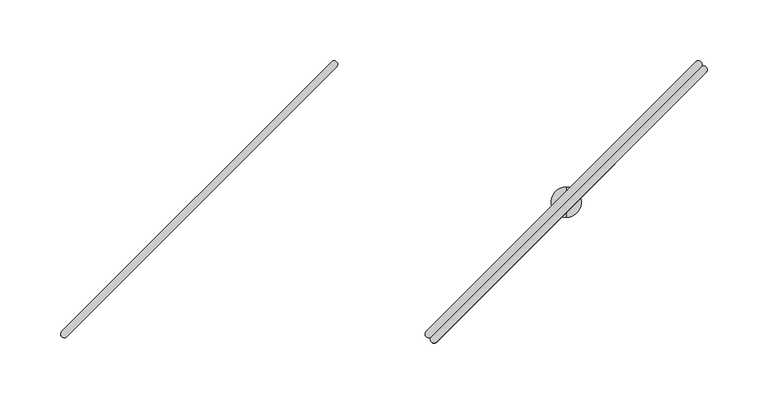
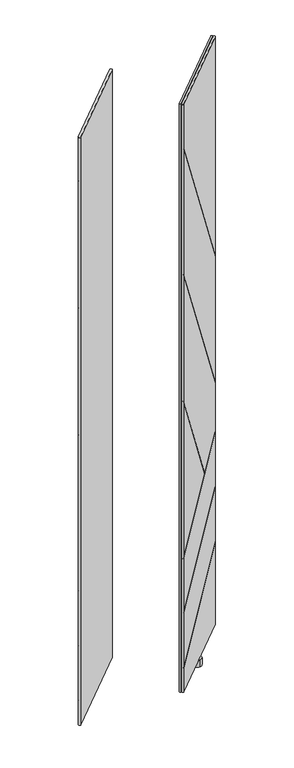
"""IFC4 building model written with IfcOpenShell, lengths in millimetres: furniture geometry."""

from ifc_helpers import new_model, si_unit, frame, origin, place, context, project, spatial, circle_curve, ellipse_curve, source, transform, mapped, element, save
from ifc_brep_helpers import plane_surface, cylinder_surface, advanced_brep


def furniture_46175fff(model_context):
    return source(origin(), model_context, "Body", "AdvancedBrep", [
        advanced_brep(
        [(-410.9200656, -183.0476726, 1930.6159983), (-188.9561853, 39.0094149, 1930.6159983), (-193.1718839, 43.2234083, 1930.6159983), (-415.18364, -178.7849606, 1930.6159983), (-410.9200656, -183.0476726, 80.7339983), (-415.18364, -178.7849606, 80.7339983), (-193.1718839, 43.2234083, 80.7339983), (-188.9561853, 39.0094149, 80.7339983), (-415.18364, -178.7849606, 1790.5286762), (-415.6875022, -182.380027, 1795.594488), (-415.6875022, -182.380027, 1792.4233739), (-415.18364, -178.7849606, 1787.3575622), (-415.18364, -178.7849606, 1391.0755777), (-415.6875022, -182.380027, 1396.14041), (-415.6875022, -182.380027, 1392.9697579), (-415.18364, -178.7849606, 1387.9049255), (-415.18364, -178.7849606, 991.620773), (-415.6875022, -182.380027, 996.6856054), (-415.6875022, -182.380027, 993.5149532), (-415.18364, -178.7849606, 988.4501208), (-415.18364, -178.7849606, 505.723), (-415.6875022, -182.380027, 504.0355995), (-415.6875022, -182.380027, 502.2133563), (-415.18364, -178.7849606, 503.9007569), (-415.18364, -178.7849606, 332.9064727), (-415.6875022, -182.380027, 331.2192637), (-415.6875022, -182.380027, 329.397073), (-415.18364, -178.7849606, 331.0842819), (-415.18364, -178.7849606, 160.9482293), (-415.6875022, -182.380027, 159.2609644), (-415.6875022, -182.380027, 155.5577715), (-415.18364, -178.7849606, 157.2450364), (-193.1718839, 43.2234083, 1241.7700643), (-193.1718839, 43.2234083, 340.0195157), (-193.1718839, 43.2234083, 1238.5989503), (-193.1718839, 43.2234083, 842.4230587), (-193.1718839, 43.2234083, 839.2524065), (-193.1718839, 43.2234083, 688.5121824), (-267.7009115, -31.3044822, 627.1501165), (-268.6632876, -32.2668437, 626.3577623), (-193.1718839, 43.2234083, 686.6899393), (-193.1718839, 43.2234083, 515.6748977), (-193.1718839, 43.2234083, 513.852707), (-193.1718839, 43.2234083, 343.7227086), (-189.6483388, 43.6591364, 341.6492934), (-189.6483388, 43.6591364, 345.3524863), (-189.6483388, 43.6591364, 515.4824307), (-189.6483388, 43.6591364, 517.3046215), (-189.6483388, 43.6591364, 688.3198481), (-189.6483388, 43.6591364, 690.1420912), (-189.6483388, 43.6591364, 834.360139), (-189.6483388, 43.6591364, 837.5307912), (-189.6483388, 43.6591364, 1233.7057367), (-189.6483388, 43.6591364, 1236.8768508), (-266.1564344, -32.8489592, 627.1501165), (-267.1188033, -33.811328, 626.3577623)],
        [
            (0, 1),
            (1, 2, circle_curve(frame((-191.1161655, 41.0642596, 1930.6159983), z_axis=(0.0, 0.0, 1.0), x_axis=(0.6892541380737184, 0.724519656840486, 0.0)), 2.9812584)),
            (2, 3),
            (3, 0, circle_curve(frame((-413.0520846, -180.9165485, 1930.6159983), z_axis=(0.0, 0.0, 1.0), x_axis=(-0.7071121751659861, -0.7071013871659622, 0.0)), 3.0144975)),
            (4, 5, circle_curve(frame((-413.0520846, -180.9165485, 80.7339983), z_axis=(0.0, 0.0, -1.0), x_axis=(-0.7071121751659861, -0.7071013871659622, 0.0)), 3.0144975)),
            (5, 6),
            (6, 7, circle_curve(frame((-191.1161655, 41.0642596, 80.7339983), z_axis=(0.0, 0.0, -1.0), x_axis=(0.6892541380737184, 0.724519656840486, 0.0)), 2.9812584)),
            (7, 4),
            (3, 8),
            (8, 9, ellipse_curve(frame((-413.0520846, -180.9165485, 1790.5287164), z_axis=(0.6137510408992909, 0.6137510408992904, 0.4966078126550915), x_axis=(-0.3511547519186339, -0.35115475191863366, 0.867975045960381)), 6.0701774, 3.0144975)),
            (9, 10),
            (10, 11, ellipse_curve(frame((-413.0520846, -180.9165485, 1787.3576024), z_axis=(-0.6137510408992913, -0.6137510408992902, -0.49660781265509124), x_axis=(-0.3511547519186339, -0.35115475191863327, 0.8679750459603811)), 6.0701774, 3.0144975)),
            (11, 12),
            (12, 13, ellipse_curve(frame((-413.0520846, -180.9165485, 1391.0756178), z_axis=(0.6137217711363938, 0.6137217711363934, 0.4966801538882105), x_axis=(-0.3512059048951318, -0.35120590489513154, 0.8679336522647244)), 6.0692932, 3.0144975)),
            (13, 14),
            (14, 15, ellipse_curve(frame((-413.0520846, -180.9165485, 1387.9049657), z_axis=(-0.6137217711363929, -0.613721771136394, -0.4966801538882105), x_axis=(-0.3512059048951313, -0.3512059048951319, 0.8679336522647244)), 6.0692932, 3.0144975)),
            (15, 16),
            (16, 17, ellipse_curve(frame((-413.0520846, -180.9165485, 991.6208132), z_axis=(0.6137217711363938, 0.6137217711363934, 0.49668015388821035), x_axis=(-0.35120590489513165, -0.35120590489513137, 0.8679336522647245)), 6.0692932, 3.0144975)),
            (17, 18),
            (18, 19, ellipse_curve(frame((-413.0520846, -180.9165485, 988.450161), z_axis=(-0.613721771136394, -0.6137217711363929, -0.4966801538882105), x_axis=(-0.3512059048951319, -0.3512059048951313, 0.8679336522647244)), 6.0692932, 3.0144975)),
            (19, 20),
            (20, 21, ellipse_curve(frame((-413.0520846, -180.9165485, 505.7229867), z_axis=(-0.35576802902276056, -0.35576802902275995, 0.8642095920843049), x_axis=(0.6110884629292727, 0.6110884629292717, 0.5031319717027327)), 3.4881556, 3.0144975)),
            (21, 22),
            (22, 23, ellipse_curve(frame((-413.0520846, -180.9165485, 503.9007435), z_axis=(0.35576802902276056, 0.35576802902275995, -0.8642095920843049), x_axis=(0.6110884629292727, 0.6110884629292717, 0.5031319717027327)), 3.4881556, 3.0144975)),
            (23, 24),
            (24, 25, ellipse_curve(frame((-413.0520846, -180.9165485, 332.9064593), z_axis=(-0.3557378542673982, -0.35573785426739757, 0.8642344346775679), x_axis=(0.6111060292954311, 0.6111060292954301, 0.5030892981544572)), 3.4880553, 3.0144975)),
            (25, 26),
            (26, 27, ellipse_curve(frame((-413.0520846, -180.9165485, 331.0842685), z_axis=(0.35573785426739823, 0.3557378542673976, -0.8642344346775679), x_axis=(0.6111060292954312, 0.6111060292954301, 0.5030892981544572)), 3.4880553, 3.0144975)),
            (27, 28),
            (28, 29, ellipse_curve(frame((-413.0520846, -180.9165485, 160.9482159), z_axis=(-0.3557466555065138, -0.3557466555065132, 0.8642271889913322), x_axis=(0.6111009058215596, 0.6111009058215585, 0.5031017449861812)), 3.4880845, 3.0144975)),
            (29, 30),
            (30, 31, ellipse_curve(frame((-413.0520846, -180.9165485, 157.245023), z_axis=(0.3557466555065137, 0.3557466555065131, -0.8642271889913324), x_axis=(0.6111009058215598, 0.6111009058215587, 0.5031017449861805)), 3.4880845, 3.0144975)),
            (31, 5),
            (4, 0),
            (2, 32),
            (32, 8),
            (31, 33),
            (33, 6),
            (11, 34),
            (34, 35),
            (35, 12),
            (15, 36),
            (36, 37),
            (37, 38),
            (38, 16),
            (19, 39),
            (39, 20),
            (23, 40),
            (40, 41),
            (41, 24),
            (27, 42),
            (42, 43),
            (43, 28),
            (1, 7),
            (33, 44, ellipse_curve(frame((-191.1161655, 41.0642596, 339.97694), z_axis=(0.3557466555065137, 0.3557466555065131, -0.8642271889913324), x_axis=(0.6111009058215598, 0.6111009058215587, 0.5031017449861805)), 3.4496234, 2.9812584)),
            (44, 45),
            (45, 43, ellipse_curve(frame((-191.1161655, 41.0642596, 343.6801329), z_axis=(-0.3557466555065138, -0.3557466555065132, 0.8642271889913322), x_axis=(0.6111009058215596, 0.6111009058215585, 0.5031017449861812)), 3.4496234, 2.9812584)),
            (42, 46, ellipse_curve(frame((-191.1161655, 41.0642596, 513.8101328), z_axis=(0.35573785426739823, 0.3557378542673976, -0.8642344346775679), x_axis=(0.6111060292954312, 0.6111060292954301, 0.5030892981544572)), 3.4495945, 2.9812584)),
            (46, 47),
            (47, 41, ellipse_curve(frame((-191.1161655, 41.0642596, 515.6323235), z_axis=(-0.3557378542673982, -0.35573785426739757, 0.8642344346775679), x_axis=(0.6111060292954311, 0.6111060292954301, 0.5030892981544572)), 3.4495945, 2.9812584)),
            (40, 48, ellipse_curve(frame((-191.1161655, 41.0642596, 686.6473602), z_axis=(0.35576802902276056, 0.35576802902275995, -0.8642095920843049), x_axis=(0.6110884629292727, 0.6110884629292717, 0.5031319717027327)), 3.4496937, 2.9812584)),
            (48, 49),
            (49, 37, ellipse_curve(frame((-191.1161655, 41.0642596, 688.4696034), z_axis=(-0.35576802902276056, -0.35576802902275995, 0.8642095920843049), x_axis=(0.6110884629292727, 0.6110884629292717, 0.5031319717027327)), 3.4496937, 2.9812584)),
            (36, 50, ellipse_curve(frame((-191.1161655, 41.0642596, 839.3802101), z_axis=(-0.6137217711363929, -0.613721771136394, -0.4966801538882105), x_axis=(-0.3512059048951313, -0.3512059048951319, 0.8679336522647244)), 6.0023706, 2.9812584)),
            (50, 51),
            (51, 35, ellipse_curve(frame((-191.1161655, 41.0642596, 842.5508622), z_axis=(0.6137217711363938, 0.6137217711363934, 0.4966801538882105), x_axis=(-0.3512059048951318, -0.35120590489513154, 0.8679336522647244)), 6.0023706, 2.9812584)),
            (34, 52, ellipse_curve(frame((-191.1161655, 41.0642596, 1238.7267785), z_axis=(-0.6137510408992913, -0.6137510408992902, -0.49660781265509124), x_axis=(-0.3511547519186339, -0.35115475191863327, 0.8679750459603811)), 6.003245, 2.9812584)),
            (52, 53),
            (53, 32, ellipse_curve(frame((-191.1161655, 41.0642596, 1241.8978926), z_axis=(0.6137510408992909, 0.6137510408992904, 0.4966078126550915), x_axis=(-0.3511547519186339, -0.35115475191863366, 0.867975045960381)), 6.003245, 2.9812584)),
            (29, 45),
            (44, 30),
            (9, 53),
            (52, 10),
            (13, 51),
            (50, 14),
            (54, 49),
            (48, 22),
            (21, 55),
            (55, 18),
            (17, 54),
            (25, 47),
            (46, 26),
            (54, 38),
            (55, 39),
        ],
        [
            plane_surface(frame((-302.0579437, -69.8999525, 1930.6159983), z_axis=(0.0, 0.0, 1.0000000000000002), x_axis=(0.7069583324882522, 0.7072551987263367, 0.0))),
            plane_surface(frame((-302.0579437, -69.8999525, 80.7339983), z_axis=(0.0, 0.0, -1.0000000000000002), x_axis=(0.7069583324882522, 0.7072551987263367, 0.0))),
            cylinder_surface(frame((-413.0520846, -180.9165485, 80.7339983), z_axis=(0.0, 0.0, 1.0), x_axis=(-0.7071121751659861, -0.7071013871659622, 0.0)), 3.0144975),
            plane_surface(frame((-304.1777619, -67.7807761, 80.7339983), z_axis=(-0.7071013871659615, 0.7071121751659868, 0.0), x_axis=(-0.7071121751659868, -0.7071013871659615, 0.0))),
            cylinder_surface(frame((-191.1161655, 41.0642596, 80.7339983), z_axis=(0.0, 0.0, 1.0), x_axis=(0.6892541380737184, 0.724519656840486, 0.0)), 2.9812584),
            plane_surface(frame((-299.9381254, -72.0191288, 80.7339983), z_axis=(0.7072551987263367, -0.7069583324882522, 0.0), x_axis=(0.7069583324882522, 0.7072551987263367, 0.0))),
            plane_surface(frame((-418.1747555, -184.8672803, 1789.3352577), z_axis=(-0.7071067811865472, 0.707106781186548, 0.0), x_axis=(0.0, 0.0, -1.0))),
            plane_surface(frame((-200.5009041, 72.3196981, 348.9796982), z_axis=(-0.3557466555065137, -0.3557466555065131, 0.8642271889913324), x_axis=(0.7071067811865469, -0.7071067811865481, 0.0))),
            plane_surface(frame((-437.9313189, -165.1107168, 157.2132806), z_axis=(0.35574665550651385, 0.35574665550651324, -0.8642271889913324), x_axis=(0.7071067811865469, -0.7071067811865481, 0.0))),
            plane_surface(frame((-200.5009041, 72.3196981, 1211.6970692), z_axis=(0.6137510408992913, 0.6137510408992902, 0.49660781265509124), x_axis=(0.7071067811865469, -0.7071067811865481, 0.0))),
            plane_surface(frame((-437.9313189, -165.1107168, 1801.7424149), z_axis=(-0.6137510408992909, -0.6137510408992904, -0.4966078126550915), x_axis=(0.7071067811865472, -0.7071067811865478, 0.0))),
            plane_surface(frame((-200.5009041, 72.3196981, 812.3557264), z_axis=(0.6137217711363929, 0.613721771136394, 0.4966801538882105), x_axis=(0.7071067811865481, -0.7071067811865469, 0.0))),
            plane_surface(frame((-437.9313189, -165.1107168, 1402.2871484), z_axis=(-0.6137217711363938, -0.6137217711363934, -0.4966801538882105), x_axis=(0.7071067811865472, -0.7071067811865478, 0.0))),
            plane_surface(frame((-200.5009041, 72.3196981, 695.6508426), z_axis=(-0.3557680290227606, -0.35576802902276, 0.8642095920843051), x_axis=(0.7071067811865469, -0.7071067811865481, 0.0))),
            plane_surface(frame((-285.9129979, -13.0923958, 627.1501165), z_axis=(0.3557680290227606, 0.35576802902276, -0.8642095920843051), x_axis=(0.7071067811865469, -0.7071067811865481, 0.0))),
            plane_surface(frame((-200.5009041, 72.3196981, 522.8125927), z_axis=(-0.35573785426739823, -0.3557378542673976, 0.8642344346775679), x_axis=(0.7071067811865469, -0.7071067811865481, 0.0))),
            plane_surface(frame((-437.9313189, -165.1107168, 329.1716477), z_axis=(0.3557378542673982, 0.35573785426739757, -0.8642344346775679), x_axis=(0.7071067811865469, -0.7071067811865481, 0.0))),
            plane_surface(frame((-437.9313189, -165.1107168, 1002.8323438), z_axis=(-0.6137217711363938, -0.6137217711363934, -0.49668015388821035), x_axis=(0.7071067811865472, -0.7071067811865478, 0.0))),
            plane_surface(frame((-286.8753667, -14.0547646, 626.3577623), z_axis=(0.613721771136394, 0.6137217711363929, 0.4966801538882105), x_axis=(0.7071067811865469, -0.7071067811865481, 0.0))),
            plane_surface(frame((-437.9313189, -165.1107168, 501.9877509), z_axis=(0.3557680290227606, 0.35576802902276, -0.8642095920843051), x_axis=(0.7071067811865469, -0.7071067811865481, 0.0))),
        ],
        [
            (0, [[1, 2, 3, 4]]),
            (1, [[5, 6, 7, 8]]),
            (2, [[-4, 9, 10, 11, 12, 13, 14, 15, 16, 17, 18, 19, 20, 21, 22, 23, 24, 25, 26, 27, 28, 29, 30, 31, 32, 33, -5, 34]]),
            (3, [[-3, 35, 36, -9]]),
            (3, [[-6, -33, 37, 38]]),
            (3, [[-13, 39, 40, 41]]),
            (3, [[-17, 42, 43, 44, 45]]),
            (3, [[-21, 46, 47]]),
            (3, [[-25, 48, 49, 50]]),
            (3, [[-29, 51, 52, 53]]),
            (4, [[-2, 54, -7, -38, 55, 56, 57, -52, 58, 59, 60, -49, 61, 62, 63, -43, 64, 65, 66, -40, 67, 68, 69, -35]]),
            (5, [[-1, -34, -8, -54]]),
            (6, [[70, -56, 71, -31]]),
            (6, [[72, -68, 73, -11]]),
            (6, [[74, -65, 75, -15]]),
            (6, [[76, -62, 77, -23, 78, 79, -19, 80]]),
            (6, [[81, -59, 82, -27]]),
            (7, [[-71, -55, -37, -32]]),
            (8, [[-70, -30, -53, -57]]),
            (9, [[-73, -67, -39, -12]]),
            (10, [[-72, -10, -36, -69]]),
            (11, [[-75, -64, -42, -16]]),
            (12, [[-74, -14, -41, -66]]),
            (13, [[-77, -61, -48, -24]]),
            (14, [[-76, 83, -44, -63]]),
            (15, [[-82, -58, -51, -28]]),
            (16, [[-81, -26, -50, -60]]),
            (17, [[-80, -18, -45, -83]]),
            (18, [[-79, 84, -46, -20]]),
            (19, [[-78, -22, -47, -84]]),
        ],
    ),
        advanced_brep(
        [(-410.9593734, -183.0083649, 1930.6159983), (-406.6966613, -187.2719392, 1930.6159983), (-184.6882924, 34.7398168, 1930.6159983), (-188.9022858, 38.9555155, 1930.6159983), (-410.9593733, -183.0083649, 80.7339983), (-188.9022858, 38.9555155, 80.7339983), (-184.6882924, 34.7398168, 80.7339983), (-406.6966613, -187.2719392, 80.7339983), (-406.6966613, -187.2719392, 157.2450364), (-410.2917277, -187.7758015, 155.5577715), (-410.2917277, -187.7758015, 159.2609644), (-406.6966613, -187.2719392, 160.9482293), (-406.6966613, -187.2719392, 331.0842819), (-410.2917277, -187.7758015, 329.397073), (-410.2917277, -187.7758015, 331.2192637), (-406.6966613, -187.2719392, 332.9064727), (-406.6966613, -187.2719392, 503.9007569), (-410.2917277, -187.7758015, 502.2133563), (-410.2917277, -187.7758015, 504.0355995), (-406.6966613, -187.2719392, 505.723), (-406.6966613, -187.2719392, 988.4501208), (-410.2917277, -187.7758015, 993.5149532), (-410.2917277, -187.7758015, 996.6856054), (-406.6966613, -187.2719392, 991.620773), (-406.6966613, -187.2719392, 1387.9049255), (-410.2917277, -187.7758015, 1392.9697579), (-410.2917277, -187.7758015, 1396.14041), (-406.6966613, -187.2719392, 1391.0755777), (-406.6966613, -187.2719392, 1787.3575622), (-410.2917277, -187.7758015, 1792.4233739), (-410.2917277, -187.7758015, 1795.594488), (-406.6966613, -187.2719392, 1790.5286762), (-184.6882924, 34.7398168, 343.7227086), (-184.6882924, 34.7398168, 513.852707), (-184.6882924, 34.7398168, 515.6748977), (-184.6882924, 34.7398168, 686.6899393), (-260.1785444, -40.7515869, 626.3577623), (-259.2161829, -39.7892108, 627.1501165), (-184.6882924, 34.7398168, 688.5121824), (-184.6882924, 34.7398168, 839.2524065), (-184.6882924, 34.7398168, 842.4230587), (-184.6882924, 34.7398168, 1238.5989503), (-184.6882924, 34.7398168, 1241.7700643), (-184.6882924, 34.7398168, 340.0195157), (-184.2525643, 38.263362, 1236.8768508), (-184.2525643, 38.263362, 1233.7057367), (-184.2525643, 38.263362, 837.5307912), (-184.2525643, 38.263362, 834.360139), (-184.2525643, 38.263362, 690.1420912), (-184.2525643, 38.263362, 688.3198481), (-184.2525643, 38.263362, 517.3046215), (-184.2525643, 38.263362, 515.4824307), (-184.2525643, 38.263362, 345.3524863), (-184.2525643, 38.263362, 341.6492934), (-260.76066, -38.2447337, 627.1501165), (-261.7230288, -39.2071025, 626.3577623)],
        [
            (0, 1, circle_curve(frame((-408.8282492, -185.1403839, 1930.6159983), z_axis=(0.0, 0.0, 1.0), x_axis=(-0.7072551987263337, -0.7069583324882551, 0.0)), 3.0144975)),
            (1, 2),
            (2, 3, circle_curve(frame((-186.8474411, 36.7955352, 1930.6159983), z_axis=(0.0, 0.0, 1.0), x_axis=(0.6895472047235311, 0.7242407420588576, 0.0)), 2.9812584)),
            (3, 0),
            (4, 5),
            (5, 6, circle_curve(frame((-186.8474411, 36.7955352, 80.7339983), z_axis=(0.0, 0.0, -1.0), x_axis=(0.6895472047235311, 0.7242407420588576, 0.0)), 2.9812584)),
            (6, 7),
            (7, 4, circle_curve(frame((-408.8282492, -185.1403839, 80.7339983), z_axis=(0.0, 0.0, -1.0), x_axis=(-0.7072551987263337, -0.7069583324882551, 0.0)), 3.0144975)),
            (0, 4),
            (7, 8),
            (8, 9, ellipse_curve(frame((-408.8282492, -185.1403839, 157.245023), z_axis=(0.3557466555065141, 0.35574665550651347, -0.8642271889913322), x_axis=(0.6111009058215596, 0.6111009058215586, 0.5031017449861808)), 3.4880845, 3.0144975)),
            (9, 10),
            (10, 11, ellipse_curve(frame((-408.8282492, -185.1403839, 160.9482159), z_axis=(-0.3557466555065138, -0.3557466555065132, 0.8642271889913322), x_axis=(0.6111009058215596, 0.6111009058215585, 0.5031017449861812)), 3.4880845, 3.0144975)),
            (11, 12),
            (12, 13, ellipse_curve(frame((-408.8282492, -185.1403839, 331.0842685), z_axis=(0.3557378542673982, 0.35573785426739757, -0.8642344346775678), x_axis=(0.611106029295431, 0.61110602929543, 0.5030892981544577)), 3.4880553, 3.0144975)),
            (13, 14),
            (14, 15, ellipse_curve(frame((-408.8282492, -185.1403839, 332.9064593), z_axis=(-0.3557378542673982, -0.35573785426739757, 0.8642344346775679), x_axis=(0.6111060292954311, 0.6111060292954301, 0.5030892981544572)), 3.4880553, 3.0144975)),
            (15, 16),
            (16, 17, ellipse_curve(frame((-408.8282492, -185.1403839, 503.9007435), z_axis=(0.35576802902276067, 0.35576802902276006, -0.8642095920843049), x_axis=(0.6110884629292728, 0.6110884629292717, 0.5031319717027326)), 3.4881556, 3.0144975)),
            (17, 18),
            (18, 19, ellipse_curve(frame((-408.8282492, -185.1403839, 505.7229867), z_axis=(-0.3557680290227606, -0.35576802902276, 0.864209592084305), x_axis=(0.6110884629292728, 0.6110884629292717, 0.5031319717027324)), 3.4881556, 3.0144975)),
            (19, 20),
            (20, 21, ellipse_curve(frame((-408.8282492, -185.1403839, 988.450161), z_axis=(-0.6137217711363941, -0.6137217711363931, -0.4966801538882102), x_axis=(-0.3512059048951317, -0.3512059048951311, 0.8679336522647246)), 6.0692932, 3.0144975)),
            (21, 22),
            (22, 23, ellipse_curve(frame((-408.8282492, -185.1403839, 991.6208132), z_axis=(0.6137217711363941, 0.613721771136393, 0.49668015388821024), x_axis=(-0.35120590489513176, -0.3512059048951311, 0.8679336522647245)), 6.0692932, 3.0144975)),
            (23, 24),
            (24, 25, ellipse_curve(frame((-408.8282492, -185.1403839, 1387.9049657), z_axis=(-0.6137217711363941, -0.6137217711363931, -0.4966801538882103), x_axis=(-0.35120590489513176, -0.3512059048951312, 0.8679336522647245)), 6.0692932, 3.0144975)),
            (25, 26),
            (26, 27, ellipse_curve(frame((-408.8282492, -185.1403839, 1391.0756178), z_axis=(0.6137217711363941, 0.6137217711363931, 0.4966801538882103), x_axis=(-0.35120590489513176, -0.3512059048951312, 0.8679336522647245)), 6.0692932, 3.0144975)),
            (27, 28),
            (28, 29, ellipse_curve(frame((-408.8282492, -185.1403839, 1787.3576024), z_axis=(-0.6137510408992914, -0.6137510408992903, -0.4966078126550913), x_axis=(-0.351154751918634, -0.3511547519186334, 0.8679750459603811)), 6.0701774, 3.0144975)),
            (29, 30),
            (30, 31, ellipse_curve(frame((-408.8282492, -185.1403839, 1790.5287164), z_axis=(0.6137510408992906, 0.6137510408992916, 0.4966078126550908), x_axis=(-0.351154751918633, -0.35115475191863355, 0.8679750459603813)), 6.0701774, 3.0144975)),
            (31, 1),
            (11, 32),
            (32, 33),
            (33, 12),
            (15, 34),
            (34, 35),
            (35, 16),
            (19, 36),
            (36, 20),
            (23, 37),
            (37, 38),
            (38, 39),
            (39, 24),
            (27, 40),
            (40, 41),
            (41, 28),
            (31, 42),
            (42, 2),
            (6, 43),
            (43, 8),
            (42, 44, ellipse_curve(frame((-186.8474411, 36.7955352, 1241.8978926), z_axis=(0.6137510408992906, 0.6137510408992916, 0.4966078126550908), x_axis=(-0.351154751918633, -0.35115475191863355, 0.8679750459603813)), 6.003245, 2.9812584)),
            (44, 45),
            (45, 41, ellipse_curve(frame((-186.8474411, 36.7955352, 1238.7267785), z_axis=(-0.6137510408992914, -0.6137510408992903, -0.4966078126550913), x_axis=(-0.351154751918634, -0.3511547519186334, 0.8679750459603811)), 6.003245, 2.9812584)),
            (40, 46, ellipse_curve(frame((-186.8474411, 36.7955352, 842.5508622), z_axis=(0.6137217711363941, 0.6137217711363931, 0.4966801538882103), x_axis=(-0.35120590489513176, -0.3512059048951312, 0.8679336522647245)), 6.0023706, 2.9812584)),
            (46, 47),
            (47, 39, ellipse_curve(frame((-186.8474411, 36.7955352, 839.3802101), z_axis=(-0.6137217711363941, -0.6137217711363931, -0.4966801538882103), x_axis=(-0.35120590489513176, -0.3512059048951312, 0.8679336522647245)), 6.0023706, 2.9812584)),
            (38, 48, ellipse_curve(frame((-186.8474411, 36.7955352, 688.4696034), z_axis=(-0.355768029022761, -0.3557680290227604, 0.8642095920843047), x_axis=(0.6110884629292725, 0.6110884629292714, 0.5031319717027329)), 3.4496937, 2.9812584)),
            (48, 49),
            (49, 35, ellipse_curve(frame((-186.8474411, 36.7955352, 686.6473602), z_axis=(0.35576802902276067, 0.35576802902276006, -0.8642095920843049), x_axis=(0.6110884629292728, 0.6110884629292717, 0.5031319717027326)), 3.4496937, 2.9812584)),
            (34, 50, ellipse_curve(frame((-186.8474411, 36.7955352, 515.6323235), z_axis=(-0.3557378542673982, -0.35573785426739757, 0.8642344346775679), x_axis=(0.6111060292954311, 0.6111060292954301, 0.5030892981544572)), 3.4495945, 2.9812584)),
            (50, 51),
            (51, 33, ellipse_curve(frame((-186.8474411, 36.7955352, 513.8101328), z_axis=(0.3557378542673982, 0.35573785426739757, -0.8642344346775678), x_axis=(0.611106029295431, 0.61110602929543, 0.5030892981544577)), 3.4495945, 2.9812584)),
            (32, 52, ellipse_curve(frame((-186.8474411, 36.7955352, 343.6801329), z_axis=(-0.3557466555065138, -0.3557466555065132, 0.8642271889913322), x_axis=(0.6111009058215596, 0.6111009058215585, 0.5031017449861812)), 3.4496234, 2.9812584)),
            (52, 53),
            (53, 43, ellipse_curve(frame((-186.8474411, 36.7955352, 339.97694), z_axis=(0.3557466555065141, 0.35574665550651347, -0.8642271889913322), x_axis=(0.6111009058215596, 0.6111009058215586, 0.5031017449861808)), 3.4496234, 2.9812584)),
            (5, 3),
            (9, 53),
            (52, 10),
            (29, 45),
            (44, 30),
            (25, 47),
            (46, 26),
            (13, 51),
            (50, 14),
            (54, 22),
            (21, 55),
            (55, 18),
            (17, 49),
            (48, 54),
            (37, 54),
            (36, 55),
        ],
        [
            plane_surface(frame((-297.8116532, -74.146243, 1930.6159983), z_axis=(0.0, 0.0, 1.0000000000000002), x_axis=(-0.7072551987263422, -0.7069583324882467, 0.0))),
            plane_surface(frame((-297.8116532, -74.146243, 80.7339983), z_axis=(0.0, 0.0, -1.0000000000000002), x_axis=(-0.7072551987263422, -0.7069583324882467, 0.0))),
            cylinder_surface(frame((-408.8282492, -185.1403839, 80.7339983), z_axis=(0.0, 0.0, 1.0), x_axis=(-0.7072551987263337, -0.7069583324882551, 0.0)), 3.0144975),
            plane_surface(frame((-295.6924769, -76.2660612, 80.7339983), z_axis=(0.7071121751659858, -0.7071013871659624, 0.0), x_axis=(0.7071013871659624, 0.7071121751659858, 0.0))),
            cylinder_surface(frame((-186.8474411, 36.7955352, 80.7339983), z_axis=(0.0, 0.0, 1.0), x_axis=(0.6895472047235311, 0.7242407420588576, 0.0)), 2.9812584),
            plane_surface(frame((-299.9308295, -72.0264247, 80.7339983), z_axis=(-0.7069583324882512, 0.7072551987263376, 0.0), x_axis=(-0.7072551987263376, -0.7069583324882512, 0.0))),
            plane_surface(frame((-393.8412555, -171.3253292, 169.1009707), z_axis=(0.7071067811865472, -0.7071067811865481, 0.0), x_axis=(-0.6111009058215594, -0.6111009058215585, -0.5031017449861812))),
            plane_surface(frame((-393.0224175, -210.0196182, 153.5100877), z_axis=(-0.3557466555065141, -0.35574665550651347, 0.8642271889913322), x_axis=(-0.7071067811865469, 0.7071067811865481, 0.0))),
            plane_surface(frame((-155.5920027, 27.4107966, 352.6828911), z_axis=(0.35574665550651385, 0.35574665550651324, -0.8642271889913324), x_axis=(-0.7071067811865469, 0.7071067811865481, 0.0))),
            plane_surface(frame((-393.0224175, -210.0196182, 1798.5713009), z_axis=(0.6137510408992913, 0.6137510408992902, 0.4966078126550912), x_axis=(-0.7071067811865469, 0.7071067811865481, 0.0))),
            plane_surface(frame((-155.5920027, 27.4107966, 1214.8681832), z_axis=(-0.6137510408992906, -0.6137510408992916, -0.4966078126550908), x_axis=(-0.7071067811865481, 0.7071067811865469, 0.0))),
            plane_surface(frame((-393.0224175, -210.0196182, 1399.1164962), z_axis=(0.6137217711363941, 0.6137217711363931, 0.4966801538882103), x_axis=(-0.7071067811865469, 0.7071067811865481, 0.0))),
            plane_surface(frame((-155.5920027, 27.4107966, 815.5263786), z_axis=(-0.6137217711363941, -0.6137217711363931, -0.4966801538882103), x_axis=(-0.7071067811865469, 0.7071067811865481, 0.0))),
            plane_surface(frame((-393.0224175, -210.0196182, 500.1655078), z_axis=(-0.35576802902276067, -0.35576802902276006, 0.8642095920843049), x_axis=(-0.7071067811865469, 0.7071067811865481, 0.0))),
            plane_surface(frame((-155.5920027, 27.4107966, 697.4730857), z_axis=(0.355768029022761, 0.3557680290227604, -0.8642095920843047), x_axis=(-0.7071067811865469, 0.7071067811865481, 0.0))),
            plane_surface(frame((-393.0224175, -210.0196182, 327.3494569), z_axis=(-0.3557378542673982, -0.35573785426739757, 0.8642344346775678), x_axis=(-0.7071067811865469, 0.7071067811865481, 0.0))),
            plane_surface(frame((-155.5920027, 27.4107966, 524.6347834), z_axis=(0.3557378542673982, 0.35573785426739757, -0.8642344346775679), x_axis=(-0.7071067811865469, 0.7071067811865481, 0.0))),
            plane_surface(frame((-241.0040965, -58.0012972, 627.1501165), z_axis=(-0.6137217711363941, -0.613721771136393, -0.49668015388821024), x_axis=(-0.7071067811865469, 0.7071067811865481, 0.0))),
            plane_surface(frame((-393.0224175, -210.0196182, 999.6616916), z_axis=(0.6137217711363941, 0.6137217711363931, 0.4966801538882102), x_axis=(-0.7071067811865469, 0.7071067811865481, 0.0))),
            plane_surface(frame((-241.9664653, -58.963666, 626.3577623), z_axis=(0.3557680290227606, 0.35576802902276, -0.864209592084305), x_axis=(-0.7071067811865469, 0.7071067811865481, 0.0))),
        ],
        [
            (0, [[1, 2, 3, 4]]),
            (1, [[5, 6, 7, 8]]),
            (2, [[-1, 9, -8, 10, 11, 12, 13, 14, 15, 16, 17, 18, 19, 20, 21, 22, 23, 24, 25, 26, 27, 28, 29, 30, 31, 32, 33, 34]]),
            (3, [[-14, 35, 36, 37]]),
            (3, [[-18, 38, 39, 40]]),
            (3, [[-22, 41, 42]]),
            (3, [[-26, 43, 44, 45, 46]]),
            (3, [[-30, 47, 48, 49]]),
            (3, [[-2, -34, 50, 51]]),
            (3, [[-7, 52, 53, -10]]),
            (4, [[-3, -51, 54, 55, 56, -48, 57, 58, 59, -45, 60, 61, 62, -39, 63, 64, 65, -36, 66, 67, 68, -52, -6, 69]]),
            (5, [[-4, -69, -5, -9]]),
            (6, [[70, -67, 71, -12]]),
            (6, [[72, -55, 73, -32]]),
            (6, [[74, -58, 75, -28]]),
            (6, [[76, -64, 77, -16]]),
            (6, [[78, -24, 79, 80, -20, 81, -61, 82]]),
            (7, [[-70, -11, -53, -68]]),
            (8, [[-71, -66, -35, -13]]),
            (9, [[-72, -31, -49, -56]]),
            (10, [[-73, -54, -50, -33]]),
            (11, [[-74, -27, -46, -59]]),
            (12, [[-75, -57, -47, -29]]),
            (13, [[-81, -19, -40, -62]]),
            (14, [[-82, -60, -44, 83]]),
            (15, [[-76, -15, -37, -65]]),
            (16, [[-77, -63, -38, -17]]),
            (17, [[-78, -83, -43, -25]]),
            (18, [[-79, -23, -42, 84]]),
            (19, [[-80, -84, -41, -21]]),
        ],
    ),
        advanced_brep(
        [(-299.9994, -84.5709522, 80.7339983), (-299.9994, -59.5748171, 80.7339983), (-299.9994, -59.5748171, 59.9975986), (-299.9994, -84.5709522, 59.9975986), (-299.9994, -72.0728847, 80.7339983), (-299.9994, -72.0728847, 59.9975986)],
        [
            (0, 1, circle_curve(frame((-299.9994, -72.0728847, 80.7339983), z_axis=(0.0, 0.0, -1.0), x_axis=(0.0, 1.0, 0.0)), 12.4980675)),
            (1, 2),
            (2, 3, circle_curve(frame((-299.9994, -72.0728847, 59.9975986), z_axis=(0.0, 0.0, 1.0), x_axis=(0.0, 1.0, 0.0)), 12.4980675)),
            (3, 0),
            (4, 1),
            (0, 4),
            (0, 1, circle_curve(frame((-299.9994, -72.0728847, 80.7339983), z_axis=(0.0, 0.0, 1.0), x_axis=(0.0, 1.0, 0.0)), 12.4980675)),
            (2, 5),
            (5, 3),
            (2, 3, circle_curve(frame((-299.9994, -72.0728847, 59.9975986), z_axis=(0.0, 0.0, -1.0), x_axis=(0.0, 1.0, 0.0)), 12.4980675)),
        ],
        [
            cylinder_surface(frame((-299.9994, -72.0728847, 88.2747758), z_axis=(0.0, 0.0, 1.0), x_axis=(0.0, 1.0, 0.0)), 12.4980675),
            plane_surface(frame((-299.9994, -72.0728847, 80.7339983), z_axis=(0.0, 0.0, 1.0), x_axis=(0.0, 1.0, 0.0))),
            plane_surface(frame((-299.9994, -72.0728847, 59.9975986), z_axis=(0.0, 0.0, -1.0), x_axis=(0.0, 1.0, 0.0))),
        ],
        [
            (0, [[1, 2, 3, 4]]),
            (1, [[5, -1, 6]]),
            (1, [[-6, 7, -5]]),
            (2, [[-3, 8, 9]]),
            (2, [[10, -9, -8]]),
            (0, [[-7, -4, -10, -2]]),
        ],
    ),
        advanced_brep(
        [(-710.9194656, -183.0476726, 1930.6159983), (-488.9555853, 39.0094149, 1930.6159983), (-493.1712839, 43.2234083, 1930.6159983), (-715.18304, -178.7849606, 1930.6159983), (-710.9194656, -183.0476726, 80.7339983), (-715.18304, -178.7849606, 80.7339983), (-493.1712839, 43.2234083, 80.7339983), (-488.9555853, 39.0094149, 80.7339983), (-715.18304, -178.7849606, 1790.5286762), (-715.6869022, -182.380027, 1795.594488), (-715.6869022, -182.380027, 1792.4233739), (-715.18304, -178.7849606, 1787.3575622), (-715.18304, -178.7849606, 1391.0755777), (-715.6869022, -182.380027, 1396.14041), (-715.6869022, -182.380027, 1392.9697579), (-715.18304, -178.7849606, 1387.9049255), (-715.18304, -178.7849606, 991.620773), (-715.6869022, -182.380027, 996.6856054), (-715.6869022, -182.380027, 993.5149532), (-715.18304, -178.7849606, 988.4501208), (-715.18304, -178.7849606, 505.723), (-715.6869022, -182.380027, 504.0355995), (-715.6869022, -182.380027, 502.2133563), (-715.18304, -178.7849606, 503.9007569), (-715.18304, -178.7849606, 332.9064727), (-715.6869022, -182.380027, 331.2192637), (-715.6869022, -182.380027, 329.397073), (-715.18304, -178.7849606, 331.0842819), (-715.18304, -178.7849606, 160.9482293), (-715.6869022, -182.380027, 159.2609644), (-715.6869022, -182.380027, 155.5577715), (-715.18304, -178.7849606, 157.2450364), (-493.1712839, 43.2234083, 1241.7700643), (-493.1712839, 43.2234083, 340.0195157), (-493.1712839, 43.2234083, 1238.5989503), (-493.1712839, 43.2234083, 842.4230587), (-493.1712839, 43.2234083, 839.2524065), (-493.1712839, 43.2234083, 688.5121824), (-567.7003115, -31.3044822, 627.1501165), (-568.6626876, -32.2668437, 626.3577623), (-493.1712839, 43.2234083, 686.6899393), (-493.1712839, 43.2234083, 515.6748977), (-493.1712839, 43.2234083, 513.852707), (-493.1712839, 43.2234083, 343.7227086), (-489.6477388, 43.6591364, 341.6492934), (-489.6477388, 43.6591364, 345.3524863), (-489.6477388, 43.6591364, 515.4824307), (-489.6477388, 43.6591364, 517.3046215), (-489.6477388, 43.6591364, 688.3198481), (-489.6477388, 43.6591364, 690.1420912), (-489.6477388, 43.6591364, 834.360139), (-489.6477388, 43.6591364, 837.5307912), (-489.6477388, 43.6591364, 1233.7057367), (-489.6477388, 43.6591364, 1236.8768508), (-566.1558344, -32.8489592, 627.1501165), (-567.1182033, -33.811328, 626.3577623)],
        [
            (0, 1),
            (1, 2, circle_curve(frame((-491.1155655, 41.0642596, 1930.6159983), z_axis=(0.0, 0.0, 1.0), x_axis=(0.6892541380737184, 0.724519656840486, 0.0)), 2.9812584)),
            (2, 3),
            (3, 0, circle_curve(frame((-713.0514846, -180.9165485, 1930.6159983), z_axis=(0.0, 0.0, 1.0), x_axis=(-0.7071121751659861, -0.7071013871659622, 0.0)), 3.0144975)),
            (4, 5, circle_curve(frame((-713.0514846, -180.9165485, 80.7339983), z_axis=(0.0, 0.0, -1.0), x_axis=(-0.7071121751659861, -0.7071013871659622, 0.0)), 3.0144975)),
            (5, 6),
            (6, 7, circle_curve(frame((-491.1155655, 41.0642596, 80.7339983), z_axis=(0.0, 0.0, -1.0), x_axis=(0.6892541380737184, 0.724519656840486, 0.0)), 2.9812584)),
            (7, 4),
            (3, 8),
            (8, 9, ellipse_curve(frame((-713.0514846, -180.9165485, 1790.5287164), z_axis=(0.6137510408992909, 0.6137510408992904, 0.4966078126550915), x_axis=(-0.3511547519186339, -0.35115475191863366, 0.867975045960381)), 6.0701774, 3.0144975)),
            (9, 10),
            (10, 11, ellipse_curve(frame((-713.0514846, -180.9165485, 1787.3576024), z_axis=(-0.6137510408992913, -0.6137510408992902, -0.49660781265509124), x_axis=(-0.3511547519186339, -0.35115475191863327, 0.8679750459603811)), 6.0701774, 3.0144975)),
            (11, 12),
            (12, 13, ellipse_curve(frame((-713.0514846, -180.9165485, 1391.0756178), z_axis=(0.6137217711363938, 0.6137217711363934, 0.4966801538882105), x_axis=(-0.3512059048951318, -0.35120590489513154, 0.8679336522647244)), 6.0692932, 3.0144975)),
            (13, 14),
            (14, 15, ellipse_curve(frame((-713.0514846, -180.9165485, 1387.9049657), z_axis=(-0.6137217711363929, -0.613721771136394, -0.4966801538882105), x_axis=(-0.3512059048951313, -0.3512059048951319, 0.8679336522647244)), 6.0692932, 3.0144975)),
            (15, 16),
            (16, 17, ellipse_curve(frame((-713.0514846, -180.9165485, 991.6208132), z_axis=(0.6137217711363938, 0.6137217711363934, 0.49668015388821035), x_axis=(-0.35120590489513165, -0.35120590489513137, 0.8679336522647245)), 6.0692932, 3.0144975)),
            (17, 18),
            (18, 19, ellipse_curve(frame((-713.0514846, -180.9165485, 988.450161), z_axis=(-0.613721771136394, -0.6137217711363929, -0.4966801538882105), x_axis=(-0.3512059048951319, -0.3512059048951313, 0.8679336522647244)), 6.0692932, 3.0144975)),
            (19, 20),
            (20, 21, ellipse_curve(frame((-713.0514846, -180.9165485, 505.7229867), z_axis=(-0.35576802902276056, -0.35576802902275995, 0.8642095920843049), x_axis=(0.6110884629292727, 0.6110884629292717, 0.5031319717027327)), 3.4881556, 3.0144975)),
            (21, 22),
            (22, 23, ellipse_curve(frame((-713.0514846, -180.9165485, 503.9007435), z_axis=(0.35576802902276056, 0.35576802902275995, -0.8642095920843049), x_axis=(0.6110884629292727, 0.6110884629292717, 0.5031319717027327)), 3.4881556, 3.0144975)),
            (23, 24),
            (24, 25, ellipse_curve(frame((-713.0514846, -180.9165485, 332.9064593), z_axis=(-0.3557378542673982, -0.35573785426739757, 0.8642344346775679), x_axis=(0.6111060292954311, 0.6111060292954301, 0.5030892981544572)), 3.4880553, 3.0144975)),
            (25, 26),
            (26, 27, ellipse_curve(frame((-713.0514846, -180.9165485, 331.0842685), z_axis=(0.35573785426739823, 0.3557378542673976, -0.8642344346775679), x_axis=(0.6111060292954312, 0.6111060292954301, 0.5030892981544572)), 3.4880553, 3.0144975)),
            (27, 28),
            (28, 29, ellipse_curve(frame((-713.0514846, -180.9165485, 160.9482159), z_axis=(-0.3557466555065138, -0.3557466555065132, 0.8642271889913322), x_axis=(0.6111009058215596, 0.6111009058215585, 0.5031017449861812)), 3.4880845, 3.0144975)),
            (29, 30),
            (30, 31, ellipse_curve(frame((-713.0514846, -180.9165485, 157.245023), z_axis=(0.3557466555065137, 0.3557466555065131, -0.8642271889913324), x_axis=(0.6111009058215598, 0.6111009058215587, 0.5031017449861805)), 3.4880845, 3.0144975)),
            (31, 5),
            (4, 0),
            (2, 32),
            (32, 8),
            (31, 33),
            (33, 6),
            (11, 34),
            (34, 35),
            (35, 12),
            (15, 36),
            (36, 37),
            (37, 38),
            (38, 16),
            (19, 39),
            (39, 20),
            (23, 40),
            (40, 41),
            (41, 24),
            (27, 42),
            (42, 43),
            (43, 28),
            (1, 7),
            (33, 44, ellipse_curve(frame((-491.1155655, 41.0642596, 339.97694), z_axis=(0.3557466555065137, 0.3557466555065131, -0.8642271889913324), x_axis=(0.6111009058215598, 0.6111009058215587, 0.5031017449861805)), 3.4496234, 2.9812584)),
            (44, 45),
            (45, 43, ellipse_curve(frame((-491.1155655, 41.0642596, 343.6801329), z_axis=(-0.3557466555065138, -0.3557466555065132, 0.8642271889913322), x_axis=(0.6111009058215596, 0.6111009058215585, 0.5031017449861812)), 3.4496234, 2.9812584)),
            (42, 46, ellipse_curve(frame((-491.1155655, 41.0642596, 513.8101328), z_axis=(0.35573785426739823, 0.3557378542673976, -0.8642344346775679), x_axis=(0.6111060292954312, 0.6111060292954301, 0.5030892981544572)), 3.4495945, 2.9812584)),
            (46, 47),
            (47, 41, ellipse_curve(frame((-491.1155655, 41.0642596, 515.6323235), z_axis=(-0.3557378542673982, -0.35573785426739757, 0.8642344346775679), x_axis=(0.6111060292954311, 0.6111060292954301, 0.5030892981544572)), 3.4495945, 2.9812584)),
            (40, 48, ellipse_curve(frame((-491.1155655, 41.0642596, 686.6473602), z_axis=(0.35576802902276056, 0.35576802902275995, -0.8642095920843049), x_axis=(0.6110884629292727, 0.6110884629292717, 0.5031319717027327)), 3.4496937, 2.9812584)),
            (48, 49),
            (49, 37, ellipse_curve(frame((-491.1155655, 41.0642596, 688.4696034), z_axis=(-0.35576802902276056, -0.35576802902275995, 0.8642095920843049), x_axis=(0.6110884629292727, 0.6110884629292717, 0.5031319717027327)), 3.4496937, 2.9812584)),
            (36, 50, ellipse_curve(frame((-491.1155655, 41.0642596, 839.3802101), z_axis=(-0.6137217711363929, -0.613721771136394, -0.4966801538882105), x_axis=(-0.3512059048951313, -0.3512059048951319, 0.8679336522647244)), 6.0023706, 2.9812584)),
            (50, 51),
            (51, 35, ellipse_curve(frame((-491.1155655, 41.0642596, 842.5508622), z_axis=(0.6137217711363938, 0.6137217711363934, 0.4966801538882105), x_axis=(-0.3512059048951318, -0.35120590489513154, 0.8679336522647244)), 6.0023706, 2.9812584)),
            (34, 52, ellipse_curve(frame((-491.1155655, 41.0642596, 1238.7267785), z_axis=(-0.6137510408992913, -0.6137510408992902, -0.49660781265509124), x_axis=(-0.3511547519186339, -0.35115475191863327, 0.8679750459603811)), 6.003245, 2.9812584)),
            (52, 53),
            (53, 32, ellipse_curve(frame((-491.1155655, 41.0642596, 1241.8978926), z_axis=(0.6137510408992909, 0.6137510408992904, 0.4966078126550915), x_axis=(-0.3511547519186339, -0.35115475191863366, 0.867975045960381)), 6.003245, 2.9812584)),
            (29, 45),
            (44, 30),
            (9, 53),
            (52, 10),
            (13, 51),
            (50, 14),
            (54, 49),
            (48, 22),
            (21, 55),
            (55, 18),
            (17, 54),
            (25, 47),
            (46, 26),
            (54, 38),
            (55, 39),
        ],
        [
            plane_surface(frame((-602.0573437, -69.8999525, 1930.6159983), z_axis=(0.0, 0.0, 1.0000000000000002), x_axis=(0.7069583324882522, 0.7072551987263367, 0.0))),
            plane_surface(frame((-602.0573437, -69.8999525, 80.7339983), z_axis=(0.0, 0.0, -1.0000000000000002), x_axis=(0.7069583324882522, 0.7072551987263367, 0.0))),
            cylinder_surface(frame((-713.0514846, -180.9165485, 80.7339983), z_axis=(0.0, 0.0, 1.0), x_axis=(-0.7071121751659861, -0.7071013871659622, 0.0)), 3.0144975),
            plane_surface(frame((-604.1771619, -67.7807761, 80.7339983), z_axis=(-0.7071013871659615, 0.7071121751659868, 0.0), x_axis=(-0.7071121751659868, -0.7071013871659615, 0.0))),
            cylinder_surface(frame((-491.1155655, 41.0642596, 80.7339983), z_axis=(0.0, 0.0, 1.0), x_axis=(0.6892541380737184, 0.724519656840486, 0.0)), 2.9812584),
            plane_surface(frame((-599.9375254, -72.0191288, 80.7339983), z_axis=(0.7072551987263367, -0.7069583324882522, 0.0), x_axis=(0.7069583324882522, 0.7072551987263367, 0.0))),
            plane_surface(frame((-718.1741555, -184.8672803, 1789.3352577), z_axis=(-0.7071067811865472, 0.707106781186548, 0.0), x_axis=(0.0, 0.0, -1.0))),
            plane_surface(frame((-500.5003041, 72.3196981, 348.9796982), z_axis=(-0.3557466555065137, -0.3557466555065131, 0.8642271889913324), x_axis=(0.7071067811865469, -0.7071067811865481, 0.0))),
            plane_surface(frame((-737.9307189, -165.1107168, 157.2132806), z_axis=(0.35574665550651385, 0.35574665550651324, -0.8642271889913324), x_axis=(0.7071067811865469, -0.7071067811865481, 0.0))),
            plane_surface(frame((-500.5003041, 72.3196981, 1211.6970692), z_axis=(0.6137510408992913, 0.6137510408992902, 0.49660781265509124), x_axis=(0.7071067811865469, -0.7071067811865481, 0.0))),
            plane_surface(frame((-737.9307189, -165.1107168, 1801.7424149), z_axis=(-0.6137510408992909, -0.6137510408992904, -0.4966078126550915), x_axis=(0.7071067811865472, -0.7071067811865478, 0.0))),
            plane_surface(frame((-500.5003041, 72.3196981, 812.3557264), z_axis=(0.6137217711363929, 0.613721771136394, 0.4966801538882105), x_axis=(0.7071067811865481, -0.7071067811865469, 0.0))),
            plane_surface(frame((-737.9307189, -165.1107168, 1402.2871484), z_axis=(-0.6137217711363938, -0.6137217711363934, -0.4966801538882105), x_axis=(0.7071067811865472, -0.7071067811865478, 0.0))),
            plane_surface(frame((-500.5003041, 72.3196981, 695.6508426), z_axis=(-0.3557680290227606, -0.35576802902276, 0.8642095920843051), x_axis=(0.7071067811865469, -0.7071067811865481, 0.0))),
            plane_surface(frame((-585.9123979, -13.0923958, 627.1501165), z_axis=(0.3557680290227606, 0.35576802902276, -0.8642095920843051), x_axis=(0.7071067811865469, -0.7071067811865481, 0.0))),
            plane_surface(frame((-500.5003041, 72.3196981, 522.8125927), z_axis=(-0.35573785426739823, -0.3557378542673976, 0.8642344346775679), x_axis=(0.7071067811865469, -0.7071067811865481, 0.0))),
            plane_surface(frame((-737.9307189, -165.1107168, 329.1716477), z_axis=(0.3557378542673982, 0.35573785426739757, -0.8642344346775679), x_axis=(0.7071067811865469, -0.7071067811865481, 0.0))),
            plane_surface(frame((-737.9307189, -165.1107168, 1002.8323438), z_axis=(-0.6137217711363938, -0.6137217711363934, -0.49668015388821035), x_axis=(0.7071067811865472, -0.7071067811865478, 0.0))),
            plane_surface(frame((-586.8747667, -14.0547646, 626.3577623), z_axis=(0.613721771136394, 0.6137217711363929, 0.4966801538882105), x_axis=(0.7071067811865469, -0.7071067811865481, 0.0))),
            plane_surface(frame((-737.9307189, -165.1107168, 501.9877509), z_axis=(0.3557680290227606, 0.35576802902276, -0.8642095920843051), x_axis=(0.7071067811865469, -0.7071067811865481, 0.0))),
        ],
        [
            (0, [[1, 2, 3, 4]]),
            (1, [[5, 6, 7, 8]]),
            (2, [[-4, 9, 10, 11, 12, 13, 14, 15, 16, 17, 18, 19, 20, 21, 22, 23, 24, 25, 26, 27, 28, 29, 30, 31, 32, 33, -5, 34]]),
            (3, [[-3, 35, 36, -9]]),
            (3, [[-6, -33, 37, 38]]),
            (3, [[-13, 39, 40, 41]]),
            (3, [[-17, 42, 43, 44, 45]]),
            (3, [[-21, 46, 47]]),
            (3, [[-25, 48, 49, 50]]),
            (3, [[-29, 51, 52, 53]]),
            (4, [[-2, 54, -7, -38, 55, 56, 57, -52, 58, 59, 60, -49, 61, 62, 63, -43, 64, 65, 66, -40, 67, 68, 69, -35]]),
            (5, [[-1, -34, -8, -54]]),
            (6, [[70, -56, 71, -31]]),
            (6, [[72, -68, 73, -11]]),
            (6, [[74, -65, 75, -15]]),
            (6, [[76, -62, 77, -23, 78, 79, -19, 80]]),
            (6, [[81, -59, 82, -27]]),
            (7, [[-71, -55, -37, -32]]),
            (8, [[-70, -30, -53, -57]]),
            (9, [[-73, -67, -39, -12]]),
            (10, [[-72, -10, -36, -69]]),
            (11, [[-75, -64, -42, -16]]),
            (12, [[-74, -14, -41, -66]]),
            (13, [[-77, -61, -48, -24]]),
            (14, [[-76, 83, -44, -63]]),
            (15, [[-82, -58, -51, -28]]),
            (16, [[-81, -26, -50, -60]]),
            (17, [[-80, -18, -45, -83]]),
            (18, [[-79, 84, -46, -20]]),
            (19, [[-78, -22, -47, -84]]),
        ],
    ),
    ])


if __name__ == "__main__":
    model = new_model("IFC4")
    model_context = context("Model", 3, world=origin())
    ifc_project = project(units=[si_unit("LENGTHUNIT", "METRE", prefix="MILLI")], contexts=[model_context])
    site = spatial("IfcSite", under=ifc_project)
    building = spatial("IfcBuilding", under=site)
    placement = place(None, origin())
    furniture_shape = furniture_46175fff(model_context)
    element("IfcFurniture", 1, at=placement, inside=building, context=model_context, shape_type="MappedRepresentation", body=[
        mapped(furniture_shape, transform((0.0, 0.0, 0.0), x_axis=(1.0, 0.0, 0.0), y_axis=(0.0, 1.0, 0.0), z_axis=(0.0, 0.0, 1.0))),
    ])
    save(model, "model.ifc")
